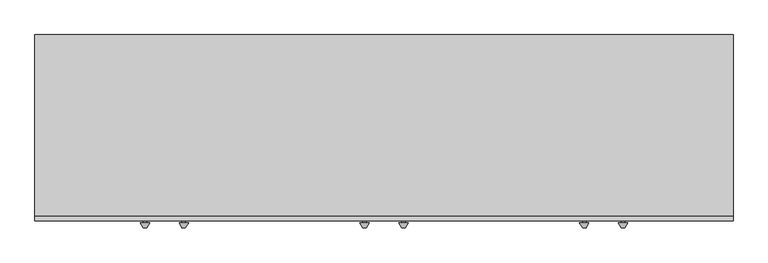
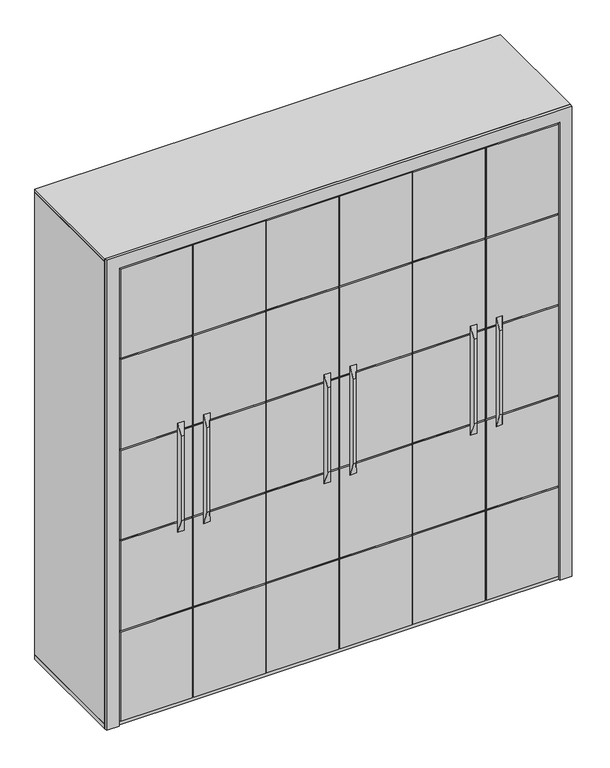
"""IFC4 building model written with IfcOpenShell, lengths in millimetres: furniture geometry."""

from ifc_helpers import new_model, si_unit, frame, origin, origin_with_axes, place, context, project, spatial, polyline, outline, extrude, faceted_brep, source, transform, mapped, element, save


def furniture_76ed6e30(model_context):
    return source(origin(), model_context, "Body", "SolidModel", [
        extrude(outline(polyline([(1033.5935792, -500.0), (1018.5935792, -500.0), (1018.5935792, -490.0), (1033.5935792, -490.0), (1033.5935792, -500.0)])), frame((0.0, 0.0, 1283.8907923), z_axis=(0.0, 0.0, 1.0), x_axis=(1.0, 0.0, 0.0)), (0.0, 0.0, 1.0), 575.0),
        faceted_brep([(1018.5935792, -519.690211, 1858.8907923), (1018.5935792, -519.690211, 1283.8907923), (1033.5935792, -519.690211, 1283.8907923), (1033.5935792, -519.690211, 1858.8907923), (1006.7353482, -500.0, 1937.644841), (1046.7353482, -500.0, 1937.644841), (1046.7353482, -500.0, 1197.644841), (1006.7353482, -500.0, 1197.644841)], [[[0, 1, 2, 3]], [[4, 5, 6, 7]], [[4, 7, 1, 0]], [[7, 6, 2, 1]], [[6, 5, 3, 2]], [[5, 4, 0, 3]]]),
        extrude(outline(polyline([(868.0730874, -500.0), (853.0730874, -500.0), (853.0730874, -490.0), (868.0730874, -490.0), (868.0730874, -500.0)])), frame((0.0, 0.0, 1283.8907923), z_axis=(0.0, 0.0, 1.0), x_axis=(1.0, 0.0, 0.0)), (0.0, 0.0, 1.0), 575.0),
        faceted_brep([(868.0730874, -519.690211, 1858.8907923), (853.0730874, -519.690211, 1858.8907923), (853.0730874, -519.690211, 1283.8907923), (868.0730874, -519.690211, 1283.8907923), (879.9313185, -500.0, 1937.644841), (879.9313185, -500.0, 1197.644841), (839.9313185, -500.0, 1197.644841), (839.9313185, -500.0, 1937.644841)], [[[0, 1, 2, 3]], [[4, 5, 6, 7]], [[4, 7, 1, 0]], [[7, 6, 2, 1]], [[6, 5, 3, 2]], [[5, 4, 0, 3]]]),
        extrude(outline(polyline([(-75.2602459, -500.0), (-90.2602459, -500.0), (-90.2602459, -490.0), (-75.2602459, -490.0), (-75.2602459, -500.0)])), frame((0.0, 0.0, 1283.8907923), z_axis=(0.0, 0.0, 1.0), x_axis=(1.0, 0.0, 0.0)), (0.0, 0.0, 1.0), 575.0),
        faceted_brep([(-75.2602459, -519.690211, 1858.8907923), (-90.2602459, -519.690211, 1858.8907923), (-90.2602459, -519.690211, 1283.8907923), (-75.2602459, -519.690211, 1283.8907923), (-63.4020148, -500.0, 1937.644841), (-63.4020148, -500.0, 1197.644841), (-103.4020148, -500.0, 1197.644841), (-103.4020148, -500.0, 1937.644841)], [[[0, 1, 2, 3]], [[4, 5, 6, 7]], [[4, 7, 1, 0]], [[7, 6, 2, 1]], [[6, 5, 3, 2]], [[5, 4, 0, 3]]]),
        extrude(outline(polyline([(90.2602459, -500.0), (75.2602459, -500.0), (75.2602459, -490.0), (90.2602459, -490.0), (90.2602459, -500.0)])), frame((0.0, 0.0, 1283.8907923), z_axis=(0.0, 0.0, 1.0), x_axis=(1.0, 0.0, 0.0)), (0.0, 0.0, 1.0), 575.0),
        faceted_brep([(75.2602459, -519.690211, 1858.8907923), (75.2602459, -519.690211, 1283.8907923), (90.2602459, -519.690211, 1283.8907923), (90.2602459, -519.690211, 1858.8907923), (63.4020148, -500.0, 1937.644841), (103.4020148, -500.0, 1937.644841), (103.4020148, -500.0, 1197.644841), (63.4020148, -500.0, 1197.644841)], [[[0, 1, 2, 3]], [[4, 5, 6, 7]], [[4, 7, 1, 0]], [[7, 6, 2, 1]], [[6, 5, 3, 2]], [[5, 4, 0, 3]]]),
        extrude(outline(polyline([(-853.0730874, -500.0), (-868.0730874, -500.0), (-868.0730874, -490.0), (-853.0730874, -490.0), (-853.0730874, -500.0)])), frame((0.0, 0.0, 1283.8907923), z_axis=(0.0, 0.0, 1.0), x_axis=(1.0, 0.0, 0.0)), (0.0, 0.0, 1.0), 575.0),
        faceted_brep([(-868.0730874, -519.690211, 1858.8907923), (-868.0730874, -519.690211, 1283.8907923), (-853.0730874, -519.690211, 1283.8907923), (-853.0730874, -519.690211, 1858.8907923), (-879.9313185, -500.0, 1937.644841), (-839.9313185, -500.0, 1937.644841), (-839.9313185, -500.0, 1197.644841), (-879.9313185, -500.0, 1197.644841)], [[[0, 1, 2, 3]], [[4, 5, 6, 7]], [[4, 7, 1, 0]], [[7, 6, 2, 1]], [[6, 5, 3, 2]], [[5, 4, 0, 3]]]),
        extrude(outline(polyline([(-1018.5935792, -500.0), (-1033.5935792, -500.0), (-1033.5935792, -490.0), (-1018.5935792, -490.0), (-1018.5935792, -500.0)])), frame((0.0, 0.0, 1283.8907923), z_axis=(0.0, 0.0, 1.0), x_axis=(1.0, 0.0, 0.0)), (0.0, 0.0, 1.0), 575.0),
        faceted_brep([(-1018.5935792, -519.690211, 1858.8907923), (-1033.5935792, -519.690211, 1858.8907923), (-1033.5935792, -519.690211, 1283.8907923), (-1018.5935792, -519.690211, 1283.8907923), (-1006.7353482, -500.0, 1937.644841), (-1006.7353482, -500.0, 1197.644841), (-1046.7353482, -500.0, 1197.644841), (-1046.7353482, -500.0, 1937.644841)], [[[0, 1, 2, 3]], [[4, 5, 6, 7]], [[4, 7, 1, 0]], [[7, 6, 2, 1]], [[6, 5, 3, 2]], [[5, 4, 0, 3]]]),
        extrude(outline(polyline([(1410.0, -490.0), (947.6634604, -490.0), (947.6634604, -480.0), (1410.0, -480.0), (1410.0, -490.0)])), frame((0.0, 0.0, 30.0), z_axis=(0.0, 0.0, 1.0), x_axis=(1.0, 0.0, 0.0)), (0.0, 0.0, 1.0), 608.0),
        extrude(outline(polyline([(1410.0, -490.0), (947.6634604, -490.0), (947.6634604, -480.0), (1410.0, -480.0), (1410.0, -490.0)])), frame((0.0, 0.0, 648.0), z_axis=(0.0, 0.0, 1.0), x_axis=(1.0, 0.0, 0.0)), (0.0, 0.0, 1.0), 608.0),
        extrude(outline(polyline([(1410.0, -490.0), (947.6634604, -490.0), (947.6634604, -480.0), (1410.0, -480.0), (1410.0, -490.0)])), frame((0.0, 0.0, 1266.0), z_axis=(0.0, 0.0, 1.0), x_axis=(1.0, 0.0, 0.0)), (0.0, 0.0, 1.0), 608.0),
        extrude(outline(polyline([(1410.0, -490.0), (947.6634604, -490.0), (947.6634604, -480.0), (1410.0, -480.0), (1410.0, -490.0)])), frame((0.0, 0.0, 1884.0), z_axis=(0.0, 0.0, 1.0), x_axis=(1.0, 0.0, 0.0)), (0.0, 0.0, 1.0), 608.0),
        extrude(outline(polyline([(1410.0, -490.0), (947.6634604, -490.0), (947.6634604, -480.0), (1410.0, -480.0), (1410.0, -490.0)])), frame((0.0, 0.0, 2502.0), z_axis=(0.0, 0.0, 1.0), x_axis=(1.0, 0.0, 0.0)), (0.0, 0.0, 1.0), 608.0),
        extrude(outline(polyline([(939.0032063, -490.0), (475.9967937, -490.0), (475.9967937, -480.0), (939.0032063, -480.0), (939.0032063, -490.0)])), frame((0.0, 0.0, 30.0), z_axis=(0.0, 0.0, 1.0), x_axis=(1.0, 0.0, 0.0)), (0.0, 0.0, 1.0), 608.0),
        extrude(outline(polyline([(939.0032063, -490.0), (475.9967937, -490.0), (475.9967937, -480.0), (939.0032063, -480.0), (939.0032063, -490.0)])), frame((0.0, 0.0, 648.0), z_axis=(0.0, 0.0, 1.0), x_axis=(1.0, 0.0, 0.0)), (0.0, 0.0, 1.0), 608.0),
        extrude(outline(polyline([(939.0032063, -490.0), (475.9967937, -490.0), (475.9967937, -480.0), (939.0032063, -480.0), (939.0032063, -490.0)])), frame((0.0, 0.0, 1266.0), z_axis=(0.0, 0.0, 1.0), x_axis=(1.0, 0.0, 0.0)), (0.0, 0.0, 1.0), 608.0),
        extrude(outline(polyline([(939.0032063, -490.0), (475.9967937, -490.0), (475.9967937, -480.0), (939.0032063, -480.0), (939.0032063, -490.0)])), frame((0.0, 0.0, 1884.0), z_axis=(0.0, 0.0, 1.0), x_axis=(1.0, 0.0, 0.0)), (0.0, 0.0, 1.0), 608.0),
        extrude(outline(polyline([(939.0032063, -490.0), (475.9967937, -490.0), (475.9967937, -480.0), (939.0032063, -480.0), (939.0032063, -490.0)])), frame((0.0, 0.0, 2502.0), z_axis=(0.0, 0.0, 1.0), x_axis=(1.0, 0.0, 0.0)), (0.0, 0.0, 1.0), 608.0),
        extrude(outline(polyline([(467.3365396, -490.0), (4.330127, -490.0), (4.330127, -480.0), (467.3365396, -480.0), (467.3365396, -490.0)])), frame((0.0, 0.0, 30.0), z_axis=(0.0, 0.0, 1.0), x_axis=(1.0, 0.0, 0.0)), (0.0, 0.0, 1.0), 608.0),
        extrude(outline(polyline([(467.3365396, -490.0), (4.330127, -490.0), (4.330127, -480.0), (467.3365396, -480.0), (467.3365396, -490.0)])), frame((0.0, 0.0, 648.0), z_axis=(0.0, 0.0, 1.0), x_axis=(1.0, 0.0, 0.0)), (0.0, 0.0, 1.0), 608.0),
        extrude(outline(polyline([(467.3365396, -490.0), (4.330127, -490.0), (4.330127, -480.0), (467.3365396, -480.0), (467.3365396, -490.0)])), frame((0.0, 0.0, 1266.0), z_axis=(0.0, 0.0, 1.0), x_axis=(1.0, 0.0, 0.0)), (0.0, 0.0, 1.0), 608.0),
        extrude(outline(polyline([(467.3365396, -490.0), (4.330127, -490.0), (4.330127, -480.0), (467.3365396, -480.0), (467.3365396, -490.0)])), frame((0.0, 0.0, 1884.0), z_axis=(0.0, 0.0, 1.0), x_axis=(1.0, 0.0, 0.0)), (0.0, 0.0, 1.0), 608.0),
        extrude(outline(polyline([(467.3365396, -490.0), (4.330127, -490.0), (4.330127, -480.0), (467.3365396, -480.0), (467.3365396, -490.0)])), frame((0.0, 0.0, 2502.0), z_axis=(0.0, 0.0, 1.0), x_axis=(1.0, 0.0, 0.0)), (0.0, 0.0, 1.0), 608.0),
        extrude(outline(polyline([(-4.330127, -490.0), (-467.3365396, -490.0), (-467.3365396, -480.0), (-4.330127, -480.0), (-4.330127, -490.0)])), frame((0.0, 0.0, 30.0), z_axis=(0.0, 0.0, 1.0), x_axis=(1.0, 0.0, 0.0)), (0.0, 0.0, 1.0), 608.0),
        extrude(outline(polyline([(-4.330127, -490.0), (-467.3365396, -490.0), (-467.3365396, -480.0), (-4.330127, -480.0), (-4.330127, -490.0)])), frame((0.0, 0.0, 648.0), z_axis=(0.0, 0.0, 1.0), x_axis=(1.0, 0.0, 0.0)), (0.0, 0.0, 1.0), 608.0),
        extrude(outline(polyline([(-4.330127, -490.0), (-467.3365396, -490.0), (-467.3365396, -480.0), (-4.330127, -480.0), (-4.330127, -490.0)])), frame((0.0, 0.0, 1266.0), z_axis=(0.0, 0.0, 1.0), x_axis=(1.0, 0.0, 0.0)), (0.0, 0.0, 1.0), 608.0),
        extrude(outline(polyline([(-4.330127, -490.0), (-467.3365396, -490.0), (-467.3365396, -480.0), (-4.330127, -480.0), (-4.330127, -490.0)])), frame((0.0, 0.0, 1884.0), z_axis=(0.0, 0.0, 1.0), x_axis=(1.0, 0.0, 0.0)), (0.0, 0.0, 1.0), 608.0),
        extrude(outline(polyline([(-4.330127, -490.0), (-467.3365396, -490.0), (-467.3365396, -480.0), (-4.330127, -480.0), (-4.330127, -490.0)])), frame((0.0, 0.0, 2502.0), z_axis=(0.0, 0.0, 1.0), x_axis=(1.0, 0.0, 0.0)), (0.0, 0.0, 1.0), 608.0),
        extrude(outline(polyline([(-475.9967937, -490.0), (-939.0032063, -490.0), (-939.0032063, -480.0), (-475.9967937, -480.0), (-475.9967937, -490.0)])), frame((0.0, 0.0, 30.0), z_axis=(0.0, 0.0, 1.0), x_axis=(1.0, 0.0, 0.0)), (0.0, 0.0, 1.0), 608.0),
        extrude(outline(polyline([(-475.9967937, -490.0), (-939.0032063, -490.0), (-939.0032063, -480.0), (-475.9967937, -480.0), (-475.9967937, -490.0)])), frame((0.0, 0.0, 648.0), z_axis=(0.0, 0.0, 1.0), x_axis=(1.0, 0.0, 0.0)), (0.0, 0.0, 1.0), 608.0),
        extrude(outline(polyline([(-475.9967937, -490.0), (-939.0032063, -490.0), (-939.0032063, -480.0), (-475.9967937, -480.0), (-475.9967937, -490.0)])), frame((0.0, 0.0, 1266.0), z_axis=(0.0, 0.0, 1.0), x_axis=(1.0, 0.0, 0.0)), (0.0, 0.0, 1.0), 608.0),
        extrude(outline(polyline([(-475.9967937, -490.0), (-939.0032063, -490.0), (-939.0032063, -480.0), (-475.9967937, -480.0), (-475.9967937, -490.0)])), frame((0.0, 0.0, 1884.0), z_axis=(0.0, 0.0, 1.0), x_axis=(1.0, 0.0, 0.0)), (0.0, 0.0, 1.0), 608.0),
        extrude(outline(polyline([(-475.9967937, -490.0), (-939.0032063, -490.0), (-939.0032063, -480.0), (-475.9967937, -480.0), (-475.9967937, -490.0)])), frame((0.0, 0.0, 2502.0), z_axis=(0.0, 0.0, 1.0), x_axis=(1.0, 0.0, 0.0)), (0.0, 0.0, 1.0), 608.0),
        extrude(outline(polyline([(-947.6634604, -490.0), (-1410.0, -490.0), (-1410.0, -480.0), (-947.6634604, -480.0), (-947.6634604, -490.0)])), frame((0.0, 0.0, 30.0), z_axis=(0.0, 0.0, 1.0), x_axis=(1.0, 0.0, 0.0)), (0.0, 0.0, 1.0), 608.0),
        extrude(outline(polyline([(-947.6634604, -490.0), (-1410.0, -490.0), (-1410.0, -480.0), (-947.6634604, -480.0), (-947.6634604, -490.0)])), frame((0.0, 0.0, 648.0), z_axis=(0.0, 0.0, 1.0), x_axis=(1.0, 0.0, 0.0)), (0.0, 0.0, 1.0), 608.0),
        extrude(outline(polyline([(-947.6634604, -490.0), (-1410.0, -490.0), (-1410.0, -480.0), (-947.6634604, -480.0), (-947.6634604, -490.0)])), frame((0.0, 0.0, 1266.0), z_axis=(0.0, 0.0, 1.0), x_axis=(1.0, 0.0, 0.0)), (0.0, 0.0, 1.0), 608.0),
        extrude(outline(polyline([(-947.6634604, -490.0), (-1410.0, -490.0), (-1410.0, -480.0), (-947.6634604, -480.0), (-947.6634604, -490.0)])), frame((0.0, 0.0, 1884.0), z_axis=(0.0, 0.0, 1.0), x_axis=(1.0, 0.0, 0.0)), (0.0, 0.0, 1.0), 608.0),
        extrude(outline(polyline([(-947.6634604, -490.0), (-1410.0, -490.0), (-1410.0, -480.0), (-947.6634604, -480.0), (-947.6634604, -490.0)])), frame((0.0, 0.0, 2502.0), z_axis=(0.0, 0.0, 1.0), x_axis=(1.0, 0.0, 0.0)), (0.0, 0.0, 1.0), 608.0),
        extrude(outline(polyline([(1480.0, 300.0), (1480.0, 292.0), (-1480.0, 292.0), (-1480.0, 300.0), (1480.0, 300.0)])), frame((0.0, 0.0, 30.0), z_axis=(0.0, 0.0, 1.0), x_axis=(1.0, 0.0, 0.0)), (0.0, 0.0, 1.0), 3150.0),
        extrude(outline(polyline([(-1480.0, 310.0), (-1480.0, -470.0), (-1500.0, -470.0), (-1500.0, 310.0), (-1480.0, 310.0)])), frame((0.0, 0.0, 30.0), z_axis=(0.0, 0.0, 1.0), x_axis=(1.0, 0.0, 0.0)), (0.0, 0.0, 1.0), 3150.0),
        extrude(outline(polyline([(1480.0, 310.0), (1500.0, 310.0), (1500.0, -470.0), (1480.0, -470.0), (1480.0, 310.0)])), frame((0.0, 0.0, 30.0), z_axis=(0.0, 0.0, 1.0), x_axis=(1.0, 0.0, 0.0)), (0.0, 0.0, 1.0), 3150.0),
        extrude(outline(polyline([(1500.0, 310.0), (1500.0, -470.0), (-1500.0, -470.0), (-1500.0, 310.0), (1500.0, 310.0)])), frame((0.0, 0.0, 3180.0), z_axis=(0.0, 0.0, 1.0), x_axis=(1.0, 0.0, 0.0)), (0.0, 0.0, 1.0), 20.0),
        extrude(outline(polyline([(1500.0, 310.0), (1500.0, -470.0), (-1500.0, -470.0), (-1500.0, 310.0), (1500.0, 310.0)])), origin_with_axes(), (0.0, 0.0, 1.0), 30.0),
        extrude(outline(polyline([(1420.0, -480.0), (-1420.0, -480.0), (-1420.0, -470.0), (1420.0, -470.0), (1420.0, -480.0)])), origin_with_axes(), (0.0, 0.0, 1.0), 3120.0),
        extrude(outline(polyline([(3200.0, -1500.0), (0.0, -1500.0), (0.0, -1420.0), (3120.0, -1420.0), (3120.0, 1420.0), (0.0, 1420.0), (0.0, 1500.0), (3200.0, 1500.0), (3200.0, -1500.0)])), frame((0.0, -490.0, 0.0), z_axis=(0.0, 1.0, 0.0), x_axis=(0.0, 0.0, 1.0)), (0.0, 0.0, 1.0), 20.0),
    ])


if __name__ == "__main__":
    model = new_model("IFC4")
    model_context = context("Model", 3, world=origin())
    ifc_project = project(units=[si_unit("LENGTHUNIT", "METRE", prefix="MILLI")], contexts=[model_context])
    site = spatial("IfcSite", under=ifc_project)
    building = spatial("IfcBuilding", under=site)
    placement = place(None, origin())
    furniture_shape = furniture_76ed6e30(model_context)
    element("IfcFurniture", 1, at=placement, inside=building, context=model_context, shape_type="MappedRepresentation", body=[
        mapped(furniture_shape, transform((0.0, 0.0, 0.0), x_axis=(1.0, 0.0, 0.0), y_axis=(0.0, 1.0, 0.0), z_axis=(0.0, 0.0, 1.0))),
    ])
    save(model, "model.ifc")
